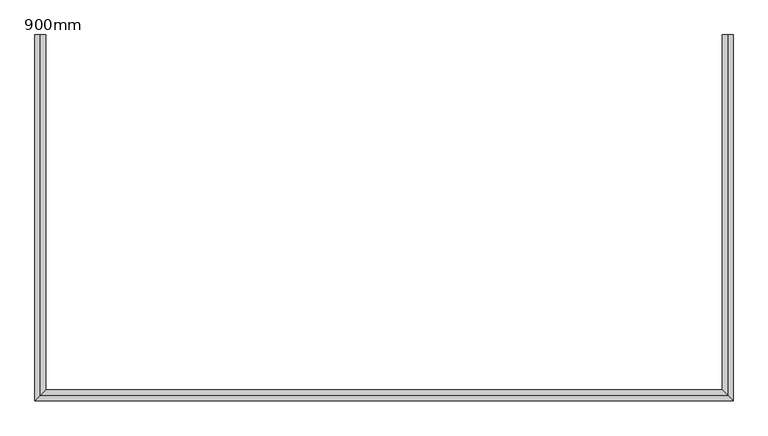
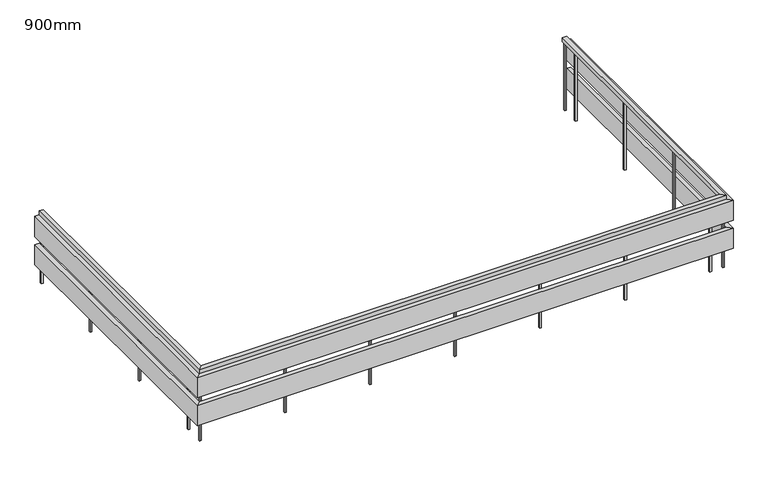
"""IFC4 building model written with IfcOpenShell, lengths in millimetres: railing geometry, 900mm."""

import ifcopenshell
import ifcopenshell.guid

model = None  # the IFC model being written
_history = None  # IfcOwnerHistory: only IFC2X3 demands one
_inside = {}  # id of a spatial element -> (the spatial element, [elements in it])
_under = {}  # id of a project, library or spatial element -> (it, [spatial elements below it])
_declared = {}  # id of a project -> (the project, [libraries it declares])
_typed = {}  # id of a type object -> (the type object, [elements of that type])
_made_of = {}  # id of a material, layer set ... -> (it, [elements and type objects made of it])


def new_model(schema):
    """Start an empty IFC model of exactly this schema.

    Asked for "IFC4X3", IfcOpenShell would pick the latest addendum, in which some entities
    have other attributes; the version numbers below select the first issue.
    IFC2X3 requires an IfcOwnerHistory on every rooted entity: one is made here for all.
    """
    global model, _history
    if schema == "IFC4X3":
        model = ifcopenshell.file(schema_version=(4, 3, 0, 0))
    else:
        model = ifcopenshell.file(schema=schema)
    _inside.clear()
    _under.clear()
    _declared.clear()
    _typed.clear()
    _made_of.clear()
    _history = None
    if model.schema == "IFC2X3":
        org = make("IfcOrganization", Name="unknown")
        user = make(
            "IfcPersonAndOrganization",
            ThePerson=make("IfcPerson", FamilyName="unknown"),
            TheOrganization=org,
        )
        app = make(
            "IfcApplication",
            ApplicationDeveloper=org,
            Version="unknown",
            ApplicationFullName="unknown",
            ApplicationIdentifier="unknown",
        )
        _history = make(
            "IfcOwnerHistory",
            OwningUser=user,
            OwningApplication=app,
            ChangeAction="ADDED",
            CreationDate=0,
        )
    return model


def make(cls, **values):
    """One entity of the class cls with the attributes given. An attribute that is None is left unset."""
    return model.create_entity(
        cls, **{name: value for name, value in values.items() if value is not None}
    )


def rooted(cls, **values):
    """An entity with a GlobalId (a new one), such as an element, a storey or a relation."""
    return make(cls, GlobalId=ifcopenshell.guid.new(), OwnerHistory=_history, **values)


def si_unit(unit_type, name, prefix=None):
    """IfcSIUnit, for example si_unit("LENGTHUNIT", "METRE", prefix="MILLI")."""
    return make("IfcSIUnit", UnitType=unit_type, Prefix=prefix, Name=name)


def assignment(units):
    """IfcUnitAssignment: the units of a project."""
    return None if units is None else make("IfcUnitAssignment", Units=units)


def point(xyz):
    """IfcCartesianPoint."""
    return None if xyz is None else make("IfcCartesianPoint", Coordinates=xyz)


def direction(xyz):
    """IfcDirection."""
    return None if xyz is None else make("IfcDirection", DirectionRatios=xyz)


def frame(location, z_axis=None, x_axis=None):
    """IfcAxis2Placement3D, a coordinate frame: its origin and axes. An axis left out is left unset."""
    return make(
        "IfcAxis2Placement3D",
        Location=point(location),
        Axis=direction(z_axis),
        RefDirection=direction(x_axis),
    )


def origin():
    """The frame at (0, 0, 0) with its axes left unset."""
    return frame((0.0, 0.0, 0.0))


def place(relative_to, where):
    """IfcLocalPlacement: puts the frame where relative to a parent placement (None: the world)."""
    return make(
        "IfcLocalPlacement", PlacementRelTo=relative_to, RelativePlacement=where
    )


def context(
    kind, dimensions, precision=None, world=None, true_north=None, identifier=None
):
    """IfcGeometricRepresentationContext, for example the 3D "Model" context."""
    return make(
        "IfcGeometricRepresentationContext",
        ContextIdentifier=identifier,
        ContextType=kind,
        CoordinateSpaceDimension=dimensions,
        Precision=precision,
        WorldCoordinateSystem=world,
        TrueNorth=true_north,
    )


def project(units=None, contexts=None):
    """IfcProject with its units and contexts."""
    return rooted(
        "IfcProject",
        Name="project",
        RepresentationContexts=contexts,
        UnitsInContext=assignment(units),
    )


def spatial(cls, under=None, at=None, **own):
    """A site, building, storey or space (cls), placed at a placement, below another one or the project."""
    s = rooted(cls, ObjectPlacement=at, **own)
    if under is not None:
        _under.setdefault(under.id(), (under, []))[1].append(s)
    return s


def polyline(points):
    """IfcPolyline through the points."""
    return make("IfcPolyline", Points=[point(p) for p in points])


def outline(outer, holes=None, kind="AREA"):
    """IfcArbitraryClosedProfileDef: a profile drawn as a closed curve; with holes, ...WithVoids."""
    if holes is None:
        return make("IfcArbitraryClosedProfileDef", ProfileType=kind, OuterCurve=outer)
    return make(
        "IfcArbitraryProfileDefWithVoids",
        ProfileType=kind,
        OuterCurve=outer,
        InnerCurves=holes,
    )


def extrude(swept, where, along, depth):
    """IfcExtrudedAreaSolid: the profile swept, set in the frame where, extruded along a direction by depth."""
    return make(
        "IfcExtrudedAreaSolid",
        SweptArea=swept,
        Position=where,
        ExtrudedDirection=direction(along),
        Depth=depth,
    )


def faces_of(points, faces, orient=None, outer=None):
    """IfcFace entities. A face is a list of loops; a loop is a list of indices into points, from 0.

    orient and outer hold one flag for each loop. By default every Orientation is true, the
    first loop of a face is its IfcFaceOuterBound and the others are IfcFaceBound.
    """
    made = []
    for i, loops in enumerate(faces):
        bounds = []
        for j, loop in enumerate(loops):
            is_outer = j == 0 if outer is None else outer[i][j]
            bounds.append(
                make(
                    "IfcFaceOuterBound" if is_outer else "IfcFaceBound",
                    Bound=make("IfcPolyLoop", Polygon=[points[k] for k in loop]),
                    Orientation=True if orient is None else orient[i][j],
                )
            )
        made.append(make("IfcFace", Bounds=bounds))
    return made


def faceted_brep(points, faces, orient=None, outer=None, voids=None):
    """IfcFacetedBrep: a solid bounded by flat faces; with voids (closed shells), ...WithVoids."""
    shared = [point(p) for p in points]
    hull = make("IfcClosedShell", CfsFaces=faces_of(shared, faces, orient, outer))
    if voids is None:
        return make("IfcFacetedBrep", Outer=hull)
    return make(
        "IfcFacetedBrepWithVoids",
        Outer=hull,
        Voids=[
            make(cls, CfsFaces=faces_of(shared, fs, o, b)) for cls, fs, o, b in voids
        ],
    )


def shape(context_of_items, identifier, shape_type, items):
    """IfcShapeRepresentation: the items that make up one representation, for example the "Body"."""
    return make(
        "IfcShapeRepresentation",
        ContextOfItems=context_of_items,
        RepresentationIdentifier=identifier,
        RepresentationType=shape_type,
        Items=items,
    )


def source(mapping_origin, context_of_items, identifier, shape_type, items):
    """IfcRepresentationMap: a shape defined once, which mapped items show again and again."""
    return make(
        "IfcRepresentationMap",
        MappingOrigin=mapping_origin,
        MappedRepresentation=shape(context_of_items, identifier, shape_type, items),
    )


def transform(
    local_origin,
    x_axis=None,
    y_axis=None,
    z_axis=None,
    scale=None,
    scale2=None,
    scale3=None,
    uniform=True,
):
    """IfcCartesianTransformationOperator3D, or its non-uniform kind. x_axis, y_axis, z_axis: its Axis1, 2, 3."""
    if uniform:
        return make(
            "IfcCartesianTransformationOperator3D",
            Axis1=direction(x_axis),
            Axis2=direction(y_axis),
            LocalOrigin=point(local_origin),
            Scale=scale,
            Axis3=direction(z_axis),
        )
    return make(
        "IfcCartesianTransformationOperator3DnonUniform",
        Axis1=direction(x_axis),
        Axis2=direction(y_axis),
        LocalOrigin=point(local_origin),
        Scale=scale,
        Axis3=direction(z_axis),
        Scale2=scale2,
        Scale3=scale3,
    )


def mapped(mapping_source, mapping_target):
    """IfcMappedItem: shows the shape of a source again, moved by a transform."""
    return make(
        "IfcMappedItem", MappingSource=mapping_source, MappingTarget=mapping_target
    )


def made_of(thing, what):
    """Note that an element or type object is made of a material, layer set ...; save() writes the relation."""
    if what is not None:
        _made_of.setdefault(what.id(), (what, []))[1].append(thing)
    return thing


def element(
    cls,
    number,
    at=None,
    inside=None,
    cuts=None,
    type_object=None,
    material=None,
    context=None,
    identifier="Body",
    shape_type=None,
    held_by="IfcProductDefinitionShape",
    body=None,
    shapes=None,
    **own,
):
    """One element of the class cls, such as IfcWall. Its Tag is "e" and its number.

    at: its placement. inside: the storey or other place that contains it. cuts: it is an
    opening in that element (IfcRelVoidsElement). A single representation is given by context,
    identifier, shape_type and body (its items); several are given by shapes. held_by: the class
    of the entity that holds the representations. save() writes the other relations.
    """
    e = rooted(cls, Tag="e%d" % number, ObjectPlacement=at, **own)
    if body is not None:
        shapes = [shape(context, identifier, shape_type, body)]
    if shapes is not None:
        e.Representation = make(held_by, Representations=shapes)
    if inside is not None:
        _inside.setdefault(inside.id(), (inside, []))[1].append(e)
    if cuts is not None:
        rooted(
            "IfcRelVoidsElement", RelatingBuildingElement=cuts, RelatedOpeningElement=e
        )
    if type_object is not None:
        _typed.setdefault(type_object.id(), (type_object, []))[1].append(e)
    return made_of(e, material)


def aggregate(whole, parts):
    """IfcRelAggregates: a whole, such as a stair, and the parts it consists of."""
    return rooted("IfcRelAggregates", RelatingObject=whole, RelatedObjects=parts)


def save(model, path):
    """Write the relations noted so far, then the file.

    IfcRelAggregates (storeys below a building ...), IfcRelContainedInSpatialStructure (elements
    in a storey), IfcRelDefinesByType, IfcRelAssociatesMaterial and IfcRelDeclares: one each for
    every whole, place, type object, material and project.
    """
    for whole, parts in _under.values():
        aggregate(whole, parts)
    for where, things in _inside.values():
        rooted(
            "IfcRelContainedInSpatialStructure",
            RelatedElements=things,
            RelatingStructure=where,
        )
    for kind, things in _typed.values():
        rooted("IfcRelDefinesByType", RelatedObjects=things, RelatingType=kind)
    for what, things in _made_of.values():
        rooted("IfcRelAssociatesMaterial", RelatedObjects=things, RelatingMaterial=what)
    for by, libraries in _declared.values():
        rooted("IfcRelDeclares", RelatingContext=by, RelatedDefinitions=libraries)
    model.write(path)


def railing_900mm_7c202757(model_context):
    return source(origin(), model_context, "Body", "SolidModel", [
        faceted_brep([(7736.4990812, -14019.9211093, 4200.0), (7736.4990812, -14019.9211093, 4150.0), (7686.4990812, -14019.9211093, 4150.0), (7686.4990812, -14019.9211093, 4200.0), (7736.4990812, -17224.9211093, 4200.0), (7736.4990812, -17224.9211093, 4150.0), (7686.4990812, -17274.9211093, 4150.0), (7686.4990812, -17274.9211093, 4200.0), (13836.4990812, -17224.9211093, 4200.0), (13836.4990812, -17224.9211093, 4150.0), (13886.4990812, -17274.9211093, 4150.0), (13886.4990812, -17274.9211093, 4200.0), (13836.4990812, -14019.9211093, 4200.0), (13886.4990812, -14019.9211093, 4200.0), (13886.4990812, -14019.9211093, 4150.0), (13836.4990812, -14019.9211093, 4150.0)], [[[0, 1, 2, 3]], [[1, 0, 4, 5]], [[2, 1, 5, 6]], [[3, 2, 6, 7]], [[0, 3, 7, 4]], [[5, 4, 8, 9]], [[6, 5, 9, 10]], [[7, 6, 10, 11]], [[4, 7, 11, 8]], [[12, 13, 14, 15]], [[9, 8, 12, 15]], [[10, 9, 15, 14]], [[11, 10, 14, 13]], [[8, 11, 13, 12]]]),
        faceted_brep([(7686.4990812, -14019.9211093, 4150.0), (7686.4990812, -14019.9211093, 3900.0), (7636.4990812, -14019.9211093, 3900.0), (7636.4990812, -14019.9211093, 4150.0), (7686.4990812, -17274.9211093, 4150.0), (7686.4990812, -17274.9211093, 3900.0), (7636.4990812, -17324.9211093, 3900.0), (7636.4990812, -17324.9211093, 4150.0), (13886.4990812, -17274.9211093, 4150.0), (13886.4990812, -17274.9211093, 3900.0), (13936.4990812, -17324.9211093, 3900.0), (13936.4990812, -17324.9211093, 4150.0), (13886.4990812, -14019.9211093, 4150.0), (13936.4990812, -14019.9211093, 4150.0), (13936.4990812, -14019.9211093, 3900.0), (13886.4990812, -14019.9211093, 3900.0)], [[[0, 1, 2, 3]], [[1, 0, 4, 5]], [[2, 1, 5, 6]], [[3, 2, 6, 7]], [[0, 3, 7, 4]], [[5, 4, 8, 9]], [[6, 5, 9, 10]], [[7, 6, 10, 11]], [[4, 7, 11, 8]], [[12, 13, 14, 15]], [[9, 8, 12, 15]], [[10, 9, 15, 14]], [[11, 10, 14, 13]], [[8, 11, 13, 12]]]),
        faceted_brep([(7686.4990812, -14019.9211093, 3800.0), (7686.4990812, -14019.9211093, 3550.0), (7636.4990812, -14019.9211093, 3550.0), (7636.4990812, -14019.9211093, 3800.0), (7686.4990812, -17274.9211093, 3800.0), (7686.4990812, -17274.9211093, 3550.0), (7636.4990812, -17324.9211093, 3550.0), (7636.4990812, -17324.9211093, 3800.0), (13886.4990812, -17274.9211093, 3800.0), (13886.4990812, -17274.9211093, 3550.0), (13936.4990812, -17324.9211093, 3550.0), (13936.4990812, -17324.9211093, 3800.0), (13886.4990812, -14019.9211093, 3800.0), (13936.4990812, -14019.9211093, 3800.0), (13936.4990812, -14019.9211093, 3550.0), (13886.4990812, -14019.9211093, 3550.0)], [[[0, 1, 2, 3]], [[1, 0, 4, 5]], [[2, 1, 5, 6]], [[3, 2, 6, 7]], [[0, 3, 7, 4]], [[5, 4, 8, 9]], [[6, 5, 9, 10]], [[7, 6, 10, 11]], [[4, 7, 11, 8]], [[12, 13, 14, 15]], [[9, 8, 12, 15]], [[10, 9, 15, 14]], [[11, 10, 14, 13]], [[8, 11, 13, 12]]]),
        extrude(outline(polyline([(13851.4990812, -14259.9211093), (13851.4990812, -14239.9211093), (13871.4990812, -14239.9211093), (13871.4990812, -14259.9211093), (13851.4990812, -14259.9211093)])), frame((0.0, 0.0, 3300.0), z_axis=(0.0, 0.0, 1.0), x_axis=(1.0, 0.0, 0.0)), (0.0, 0.0, 1.0), 850.0),
        extrude(outline(polyline([(13851.4990812, -15259.9211093), (13851.4990812, -15239.9211093), (13871.4990812, -15239.9211093), (13871.4990812, -15259.9211093), (13851.4990812, -15259.9211093)])), frame((0.0, 0.0, 3300.0), z_axis=(0.0, 0.0, 1.0), x_axis=(1.0, 0.0, 0.0)), (0.0, 0.0, 1.0), 850.0),
        extrude(outline(polyline([(13851.4990812, -16259.9211093), (13851.4990812, -16239.9211093), (13871.4990812, -16239.9211093), (13871.4990812, -16259.9211093), (13851.4990812, -16259.9211093)])), frame((0.0, 0.0, 3300.0), z_axis=(0.0, 0.0, 1.0), x_axis=(1.0, 0.0, 0.0)), (0.0, 0.0, 1.0), 850.0),
        extrude(outline(polyline([(13701.4990812, -17239.9211093), (13721.4990812, -17239.9211093), (13721.4990812, -17259.9211093), (13701.4990812, -17259.9211093), (13701.4990812, -17239.9211093)])), frame((0.0, 0.0, 3300.0), z_axis=(0.0, 0.0, 1.0), x_axis=(1.0, 0.0, 0.0)), (0.0, 0.0, 1.0), 850.0),
        extrude(outline(polyline([(12701.4990812, -17239.9211093), (12721.4990812, -17239.9211093), (12721.4990812, -17259.9211093), (12701.4990812, -17259.9211093), (12701.4990812, -17239.9211093)])), frame((0.0, 0.0, 3300.0), z_axis=(0.0, 0.0, 1.0), x_axis=(1.0, 0.0, 0.0)), (0.0, 0.0, 1.0), 850.0),
        extrude(outline(polyline([(11701.4990812, -17239.9211093), (11721.4990812, -17239.9211093), (11721.4990812, -17259.9211093), (11701.4990812, -17259.9211093), (11701.4990812, -17239.9211093)])), frame((0.0, 0.0, 3300.0), z_axis=(0.0, 0.0, 1.0), x_axis=(1.0, 0.0, 0.0)), (0.0, 0.0, 1.0), 850.0),
        extrude(outline(polyline([(10701.4990812, -17239.9211093), (10721.4990812, -17239.9211093), (10721.4990812, -17259.9211093), (10701.4990812, -17259.9211093), (10701.4990812, -17239.9211093)])), frame((0.0, 0.0, 3300.0), z_axis=(0.0, 0.0, 1.0), x_axis=(1.0, 0.0, 0.0)), (0.0, 0.0, 1.0), 850.0),
        extrude(outline(polyline([(9701.4990812, -17239.9211093), (9721.4990812, -17239.9211093), (9721.4990812, -17259.9211093), (9701.4990812, -17259.9211093), (9701.4990812, -17239.9211093)])), frame((0.0, 0.0, 3300.0), z_axis=(0.0, 0.0, 1.0), x_axis=(1.0, 0.0, 0.0)), (0.0, 0.0, 1.0), 850.0),
        extrude(outline(polyline([(8701.4990812, -17239.9211093), (8721.4990812, -17239.9211093), (8721.4990812, -17259.9211093), (8701.4990812, -17259.9211093), (8701.4990812, -17239.9211093)])), frame((0.0, 0.0, 3300.0), z_axis=(0.0, 0.0, 1.0), x_axis=(1.0, 0.0, 0.0)), (0.0, 0.0, 1.0), 850.0),
        extrude(outline(polyline([(7721.4990812, -17009.9211093), (7721.4990812, -17029.9211093), (7701.4990812, -17029.9211093), (7701.4990812, -17009.9211093), (7721.4990812, -17009.9211093)])), frame((0.0, 0.0, 3300.0), z_axis=(0.0, 0.0, 1.0), x_axis=(1.0, 0.0, 0.0)), (0.0, 0.0, 1.0), 850.0),
        extrude(outline(polyline([(7721.4990812, -16009.9211093), (7721.4990812, -16029.9211093), (7701.4990812, -16029.9211093), (7701.4990812, -16009.9211093), (7721.4990812, -16009.9211093)])), frame((0.0, 0.0, 3300.0), z_axis=(0.0, 0.0, 1.0), x_axis=(1.0, 0.0, 0.0)), (0.0, 0.0, 1.0), 850.0),
        extrude(outline(polyline([(7721.4990812, -15009.9211093), (7721.4990812, -15029.9211093), (7701.4990812, -15029.9211093), (7701.4990812, -15009.9211093), (7721.4990812, -15009.9211093)])), frame((0.0, 0.0, 3300.0), z_axis=(0.0, 0.0, 1.0), x_axis=(1.0, 0.0, 0.0)), (0.0, 0.0, 1.0), 850.0),
        extrude(outline(polyline([(13851.4990812, -17239.9211093), (13871.4990812, -17239.9211093), (13871.4990812, -17259.9211093), (13851.4990812, -17259.9211093), (13851.4990812, -17239.9211093)])), frame((0.0, 0.0, 3300.0), z_axis=(0.0, 0.0, 1.0), x_axis=(1.0, 0.0, 0.0)), (0.0, 0.0, 1.0), 850.0),
        extrude(outline(polyline([(7721.4990812, -17239.9211093), (7721.4990812, -17259.9211093), (7701.4990812, -17259.9211093), (7701.4990812, -17239.9211093), (7721.4990812, -17239.9211093)])), frame((0.0, 0.0, 3300.0), z_axis=(0.0, 0.0, 1.0), x_axis=(1.0, 0.0, 0.0)), (0.0, 0.0, 1.0), 850.0),
        extrude(outline(polyline([(13851.4990812, -14039.9211093), (13851.4990812, -14019.9211093), (13871.4990812, -14019.9211093), (13871.4990812, -14039.9211093), (13851.4990812, -14039.9211093)])), frame((0.0, 0.0, 3300.0), z_axis=(0.0, 0.0, 1.0), x_axis=(1.0, 0.0, 0.0)), (0.0, 0.0, 1.0), 850.0),
        extrude(outline(polyline([(7721.4990812, -14019.9211093), (7721.4990812, -14039.9211093), (7701.4990812, -14039.9211093), (7701.4990812, -14019.9211093), (7721.4990812, -14019.9211093)])), frame((0.0, 0.0, 3300.0), z_axis=(0.0, 0.0, 1.0), x_axis=(1.0, 0.0, 0.0)), (0.0, 0.0, 1.0), 850.0),
    ])


if __name__ == "__main__":
    model = new_model("IFC4")
    model_context = context("Model", 3, world=origin())
    ifc_project = project(units=[si_unit("LENGTHUNIT", "METRE", prefix="MILLI")], contexts=[model_context])
    site = spatial("IfcSite", under=ifc_project)
    building = spatial("IfcBuilding", under=site)
    placement = place(None, origin())
    railing_900mm_shape = railing_900mm_7c202757(model_context)
    element("IfcRailing", 1, ObjectType="900mm", at=placement, inside=building, context=model_context, shape_type="MappedRepresentation", body=[
        mapped(railing_900mm_shape, transform((0.0, 0.0, 0.0), x_axis=(1.0, 0.0, 0.0), y_axis=(0.0, 1.0, 0.0), z_axis=(0.0, 0.0, 1.0))),
    ])
    save(model, "model.ifc")
